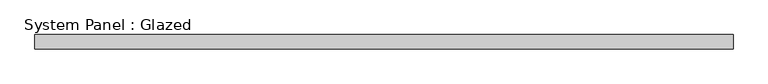
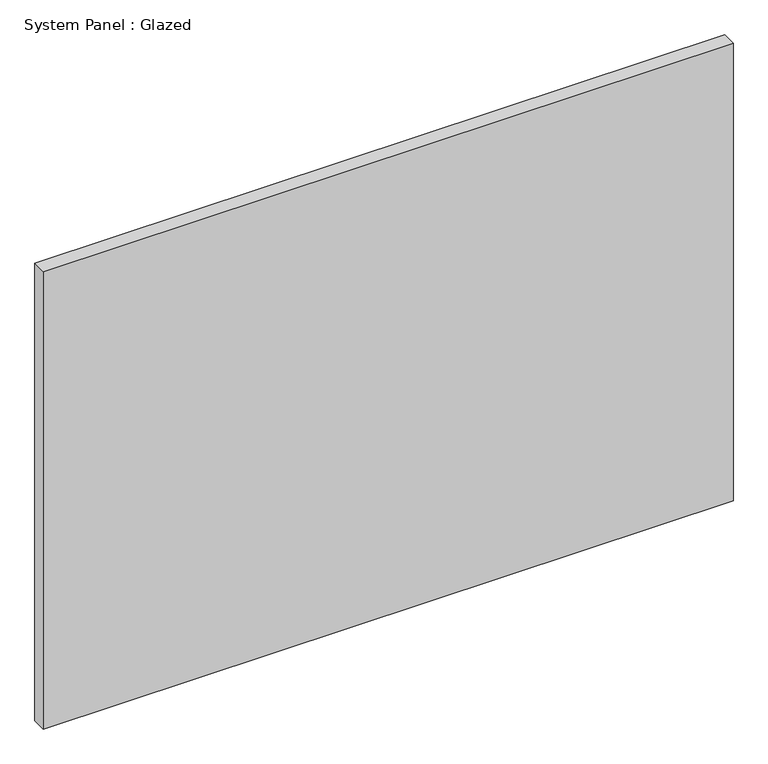
"""IFC4 building model written with IfcOpenShell, lengths in millimetres: plate geometry, System Panel : Glazed."""

from ifc_helpers import new_model, si_unit, origin, origin_with_axes, place, context, project, spatial, polyline, outline, extrude, source, transform, mapped, element, save


def system_panel_glazed_aa7a292a(model_context):
    return source(origin(), model_context, "Body", "SweptSolid", [
        extrude(outline(polyline([(615.95, -44.45), (-615.95, -44.45), (-615.95, -19.05), (615.95, -19.05), (615.95, -44.45)])), origin_with_axes(), (0.0, 0.0, 1.0), 863.6),
    ])


if __name__ == "__main__":
    model = new_model("IFC4")
    model_context = context("Model", 3, world=origin())
    ifc_project = project(units=[si_unit("LENGTHUNIT", "METRE", prefix="MILLI")], contexts=[model_context])
    site = spatial("IfcSite", under=ifc_project)
    building = spatial("IfcBuilding", under=site)
    placement = place(None, origin())
    system_panel_glazed_shape = system_panel_glazed_aa7a292a(model_context)
    element("IfcPlate", 1, ObjectType="System Panel : Glazed", at=placement, inside=building, context=model_context, shape_type="MappedRepresentation", body=[
        mapped(system_panel_glazed_shape, transform((0.0, 0.0, 0.0), x_axis=(1.0, 0.0, 0.0), y_axis=(0.0, 1.0, 0.0), z_axis=(0.0, 0.0, 1.0))),
    ])
    save(model, "model.ifc")
